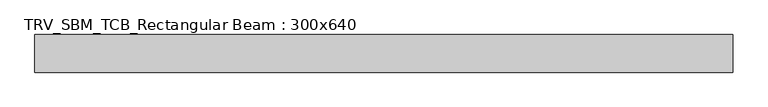
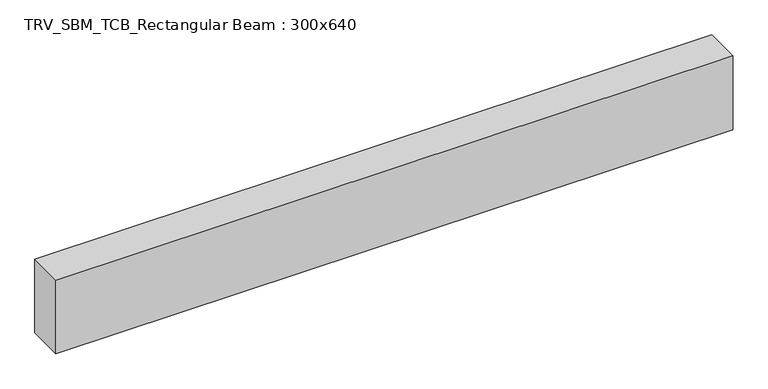
"""IFC4 building model written with IfcOpenShell, lengths in millimetres: beam geometry, TRV_SBM_TCB_Rectangular Beam : 300x640."""

from ifc_helpers import new_model, si_unit, frame, origin, place, context, project, spatial, polyline, outline, extrude, source, transform, mapped, element, save


def trv_sbm_tcb_rectangular_beam_300x640_1840659b(model_context):
    return source(origin(), model_context, "Body", "SweptSolid", [
        extrude(outline(polyline([(2780.7, 150.0), (2780.7, -150.0), (-2780.7, -150.0), (-2780.7, 150.0), (2780.7, 150.0)])), frame((0.0, 0.0, -320.0), z_axis=(0.0, 0.0, 1.0), x_axis=(1.0, 0.0, 0.0)), (0.0, 0.0, 1.0), 640.0),
    ])


if __name__ == "__main__":
    model = new_model("IFC4")
    model_context = context("Model", 3, world=origin())
    ifc_project = project(units=[si_unit("LENGTHUNIT", "METRE", prefix="MILLI")], contexts=[model_context])
    site = spatial("IfcSite", under=ifc_project)
    building = spatial("IfcBuilding", under=site)
    placement = place(None, origin())
    trv_sbm_tcb_rectangular_beam_300x640_shape = trv_sbm_tcb_rectangular_beam_300x640_1840659b(model_context)
    element("IfcBeam", 1, ObjectType="TRV_SBM_TCB_Rectangular Beam : 300x640", at=placement, inside=building, context=model_context, shape_type="MappedRepresentation", body=[
        mapped(trv_sbm_tcb_rectangular_beam_300x640_shape, transform((0.0, 0.0, 0.0), x_axis=(1.0, 0.0, 0.0), y_axis=(0.0, 1.0, 0.0), z_axis=(0.0, 0.0, 1.0))),
    ])
    save(model, "model.ifc")
